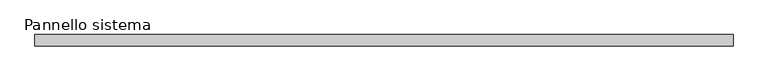
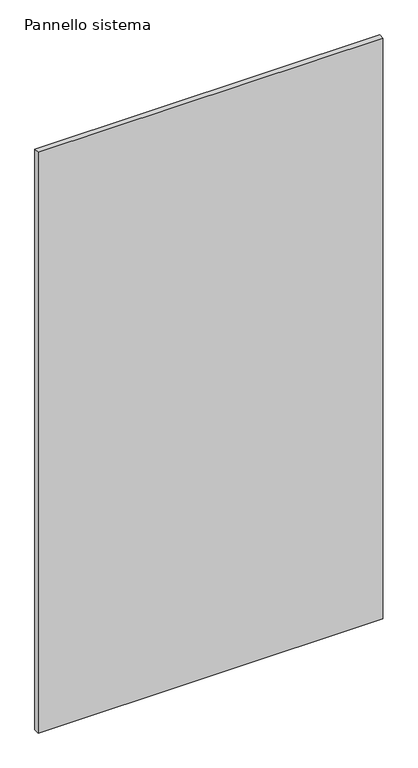
"""IFC4 building model written with IfcOpenShell, lengths in millimetres: plate geometry, Pannello sistema."""

from ifc_helpers import new_model, si_unit, origin, origin_with_axes, place, context, project, spatial, polyline, outline, extrude, source, transform, mapped, element, save


def pannello_sistema_062e0fb9(model_context):
    return source(origin(), model_context, "Body", "SweptSolid", [
        extrude(outline(polyline([(775.0, -12.5), (-775.0, -12.5), (-775.0, 12.5), (775.0, 12.5), (775.0, -12.5)])), origin_with_axes(), (0.0, 0.0, 1.0), 2760.0),
    ])


if __name__ == "__main__":
    model = new_model("IFC4")
    model_context = context("Model", 3, world=origin())
    ifc_project = project(units=[si_unit("LENGTHUNIT", "METRE", prefix="MILLI")], contexts=[model_context])
    site = spatial("IfcSite", under=ifc_project)
    building = spatial("IfcBuilding", under=site)
    placement = place(None, origin())
    pannello_sistema_shape = pannello_sistema_062e0fb9(model_context)
    element("IfcPlate", 1, ObjectType="Pannello sistema", at=placement, inside=building, context=model_context, shape_type="MappedRepresentation", body=[
        mapped(pannello_sistema_shape, transform((0.0, 0.0, 0.0), x_axis=(1.0, 0.0, 0.0), y_axis=(0.0, 1.0, 0.0), z_axis=(0.0, 0.0, 1.0))),
    ])
    save(model, "model.ifc")
